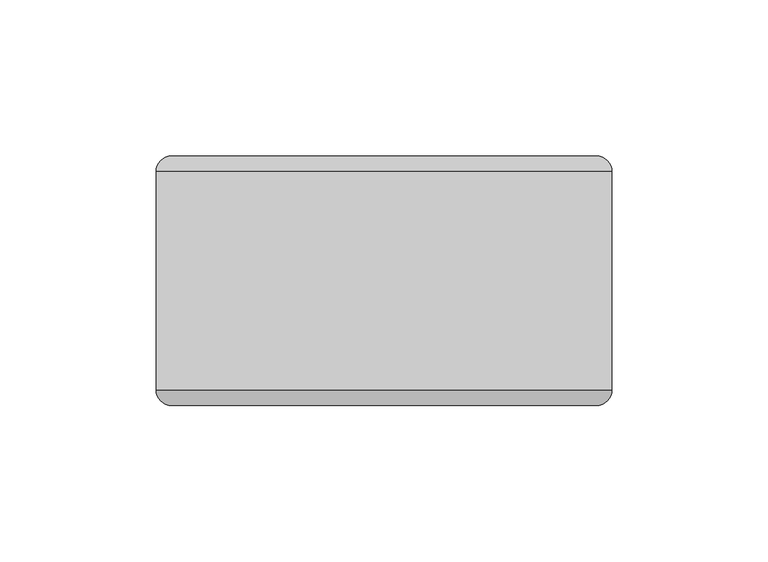
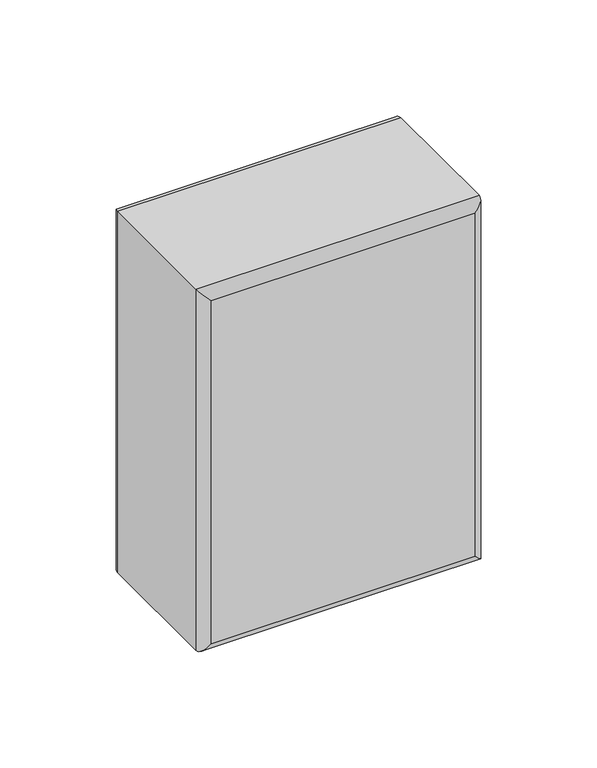
"""IFC4 building model written with IfcOpenShell, lengths in millimetres: plate geometry."""

from ifc_helpers import new_model, si_unit, frame, origin, place, context, project, spatial, ellipse_curve, source, transform, mapped, element, save
from ifc_brep_helpers import plane_surface, cylinder_surface, advanced_brep


def plate_a783edad(model_context):
    return source(origin(), model_context, "Body", "AdvancedBrep", [
        advanced_brep(
        [(-73.0249998, -35.0, 196.9869895), (72.9750002, -35.0, 196.9869895), (72.9750002, 35.0, 196.9869895), (-73.0249998, 35.0, 196.9869895), (72.9750002, -35.0, 0.0), (-73.0249998, -35.0, 0.0), (-73.0249998, 35.0, 0.0), (72.9750002, 35.0, 0.0), (-68.0249998, -40.0, 5.0), (67.9750002, -40.0, 5.0), (67.9750002, -40.0, 191.9869895), (-68.0249998, -40.0, 191.9869895), (67.9750002, 40.0, 5.0), (-68.0249998, 40.0, 5.0), (-68.0249998, 40.0, 191.9869895), (67.9750002, 40.0, 191.9869895)],
        [
            (0, 1),
            (1, 2),
            (2, 3),
            (3, 0),
            (4, 5),
            (5, 6),
            (6, 7),
            (7, 4),
            (8, 9),
            (9, 10),
            (10, 11),
            (11, 8),
            (1, 4),
            (7, 2),
            (12, 13),
            (13, 14),
            (14, 15),
            (15, 12),
            (5, 0),
            (3, 6),
            (4, 9, ellipse_curve(frame((67.9750002, -35.0, 5.0), z_axis=(-0.7071067811865475, 0.0, -0.7071067811865475), x_axis=(0.7071067811865476, 0.0, -0.7071067811865474)), 7.0710678, 5.0)),
            (8, 5, ellipse_curve(frame((-68.0249998, -35.0, 5.0), z_axis=(0.7071067811865475, 0.0, -0.7071067811865475), x_axis=(0.7071067811865476, 0.0, 0.7071067811865474)), 7.0710678, 5.0)),
            (1, 10, ellipse_curve(frame((67.9750002, -35.0, 191.9869895), z_axis=(0.7071067811865475, 0.0, -0.7071067811865475), x_axis=(0.7071067811865474, 0.0, 0.7071067811865476)), 7.0710678, 5.0)),
            (0, 11, ellipse_curve(frame((-68.0249998, -35.0, 191.9869895), z_axis=(0.7071067811865475, 0.0, 0.7071067811865475), x_axis=(-0.7071067811865476, 0.0, 0.7071067811865474)), 7.0710678, 5.0)),
            (12, 7, ellipse_curve(frame((67.9750002, 35.0, 5.0), z_axis=(-0.7071067811865475, 0.0, -0.7071067811865475), x_axis=(0.7071067811865476, 0.0, -0.7071067811865474)), 7.0710678, 5.0)),
            (6, 13, ellipse_curve(frame((-68.0249998, 35.0, 5.0), z_axis=(0.7071067811865475, 0.0, -0.7071067811865475), x_axis=(0.7071067811865476, 0.0, 0.7071067811865474)), 7.0710678, 5.0)),
            (15, 2, ellipse_curve(frame((67.9750002, 35.0, 191.9869895), z_axis=(0.7071067811865475, 0.0, -0.7071067811865475), x_axis=(0.7071067811865474, 0.0, 0.7071067811865476)), 7.0710678, 5.0)),
            (14, 3, ellipse_curve(frame((-68.0249998, 35.0, 191.9869895), z_axis=(0.7071067811865475, 0.0, 0.7071067811865475), x_axis=(-0.7071067811865476, 0.0, 0.7071067811865474)), 7.0710678, 5.0)),
        ],
        [
            plane_surface(frame((-73.0249998, -40.0, 196.9869895), z_axis=(0.0, 0.0, 1.0), x_axis=(1.0, 0.0, 0.0))),
            plane_surface(frame((-73.0249998, -40.0, 0.0), z_axis=(0.0, 0.0, -1.0), x_axis=(-1.0, 0.0, 0.0))),
            plane_surface(frame((-73.0249998, -40.0, 196.9869895), z_axis=(0.0, -1.0, 0.0), x_axis=(0.0, 0.0, -1.0))),
            plane_surface(frame((72.9750002, -40.0, 196.9869895), z_axis=(1.0, 0.0, 0.0), x_axis=(0.0, 0.0, -1.0))),
            plane_surface(frame((72.9750002, 40.0, 196.9869895), z_axis=(0.0, 1.0, 0.0), x_axis=(0.0, 0.0, -1.0))),
            plane_surface(frame((-73.0249998, 40.0, 196.9869895), z_axis=(-1.0, 0.0, 0.0), x_axis=(0.0, 0.0, -1.0))),
            cylinder_surface(frame((-73.0249998, -35.0, 5.0), z_axis=(1.0, 0.0, 0.0), x_axis=(0.0, 0.0, -1.0)), 5.0),
            cylinder_surface(frame((67.9750002, -35.0, 0.0), z_axis=(0.0, 0.0, 1.0), x_axis=(1.0, 0.0, 0.0)), 5.0),
            cylinder_surface(frame((72.9750002, -35.0, 191.9869895), z_axis=(-1.0, 0.0, 0.0), x_axis=(0.0, 0.0, 1.0)), 5.0),
            cylinder_surface(frame((-68.0249998, -35.0, 196.9869895), z_axis=(0.0, 0.0, -1.0), x_axis=(-1.0, 0.0, 0.0)), 5.0),
            cylinder_surface(frame((-73.0249998, 35.0, 5.0), z_axis=(1.0, 0.0, 0.0), x_axis=(0.0, 0.0, -1.0)), 5.0),
            cylinder_surface(frame((67.9750002, 35.0, 0.0), z_axis=(0.0, 0.0, 1.0), x_axis=(1.0, 0.0, 0.0)), 5.0),
            cylinder_surface(frame((72.9750002, 35.0, 191.9869895), z_axis=(-1.0, 0.0, 0.0), x_axis=(0.0, 0.0, 1.0)), 5.0),
            cylinder_surface(frame((-68.0249998, 35.0, 196.9869895), z_axis=(0.0, 0.0, -1.0), x_axis=(-1.0, 0.0, 0.0)), 5.0),
        ],
        [
            (0, [[1, 2, 3, 4]]),
            (1, [[5, 6, 7, 8]]),
            (2, [[9, 10, 11, 12]]),
            (3, [[13, -8, 14, -2]]),
            (4, [[15, 16, 17, 18]]),
            (5, [[19, -4, 20, -6]]),
            (6, [[21, -9, 22, -5]]),
            (7, [[-21, -13, 23, -10]]),
            (8, [[-23, -1, 24, -11]]),
            (9, [[-22, -12, -24, -19]]),
            (10, [[25, -7, 26, -15]]),
            (11, [[-25, -18, 27, -14]]),
            (12, [[-27, -17, 28, -3]]),
            (13, [[-26, -20, -28, -16]]),
        ],
    ),
    ])


if __name__ == "__main__":
    model = new_model("IFC4")
    model_context = context("Model", 3, world=origin())
    ifc_project = project(units=[si_unit("LENGTHUNIT", "METRE", prefix="MILLI")], contexts=[model_context])
    site = spatial("IfcSite", under=ifc_project)
    building = spatial("IfcBuilding", under=site)
    placement = place(None, origin())
    plate_shape = plate_a783edad(model_context)
    element("IfcPlate", 1, at=placement, inside=building, context=model_context, shape_type="MappedRepresentation", body=[
        mapped(plate_shape, transform((0.0, 0.0, 0.0), x_axis=(1.0, 0.0, 0.0), y_axis=(0.0, 1.0, 0.0), z_axis=(0.0, 0.0, 1.0))),
    ])
    save(model, "model.ifc")
